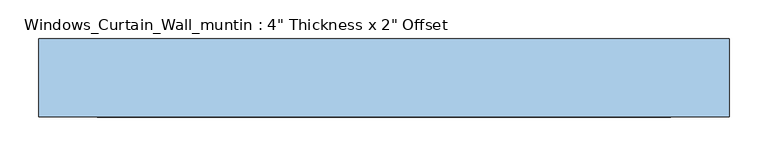
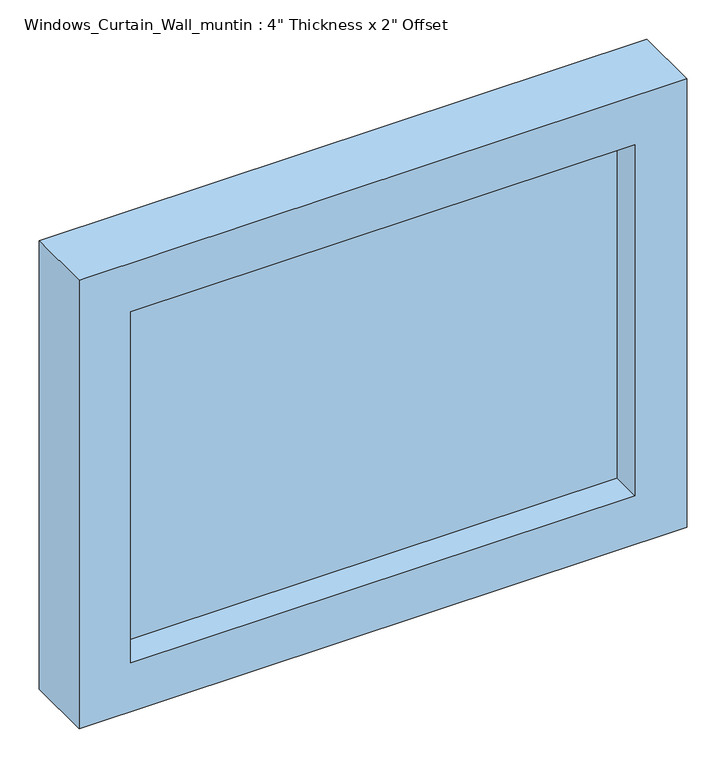
"""IFC4 building model written with IfcOpenShell, lengths in millimetres: window geometry."""

from ifc_helpers import new_model, si_unit, frame, origin, place, context, project, spatial, polyline, outline, extrude, source, transform, mapped, element, save


def window_8d91ebf7(model_context):
    return source(origin(), model_context, "Body", "SweptSolid", [
        extrude(outline(polyline([(698.5, -447.675), (0.0, -447.675), (0.0, 447.675), (698.5, 447.675), (698.5, -447.675)]), holes=[polyline([(622.3, -371.475), (622.3, 371.475), (76.2, 371.475), (76.2, -371.475), (622.3, -371.475)])]), frame((0.0, -50.8, 0.0), z_axis=(0.0, 1.0, 0.0), x_axis=(0.0, 0.0, 1.0)), (0.0, 0.0, 1.0), 101.6),
        extrude(outline(polyline([(371.475, -6.0), (-371.475, -6.0), (-371.475, 6.0), (371.475, 6.0), (371.475, -6.0)])), frame((0.0, 0.0, 76.2), z_axis=(0.0, 0.0, 1.0), x_axis=(1.0, 0.0, 0.0)), (0.0, 0.0, 1.0), 546.1),
    ])


if __name__ == "__main__":
    model = new_model("IFC4")
    model_context = context("Model", 3, world=origin())
    ifc_project = project(units=[si_unit("LENGTHUNIT", "METRE", prefix="MILLI")], contexts=[model_context])
    site = spatial("IfcSite", under=ifc_project)
    building = spatial("IfcBuilding", under=site)
    placement = place(None, origin())
    window_shape = window_8d91ebf7(model_context)
    element("IfcWindow", 1, ObjectType="Windows_Curtain_Wall_muntin : 4\" Thickness x 2\" Offset", at=placement, inside=building, context=model_context, shape_type="MappedRepresentation", body=[
        mapped(window_shape, transform((0.0, 0.0, 0.0), x_axis=(1.0, 0.0, 0.0), y_axis=(0.0, 1.0, 0.0), z_axis=(0.0, 0.0, 1.0))),
    ])
    save(model, "model.ifc")
